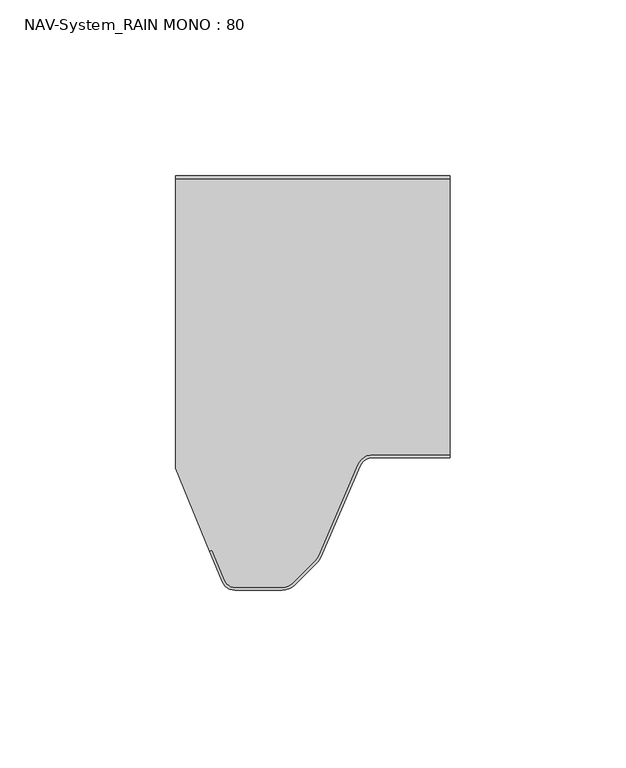
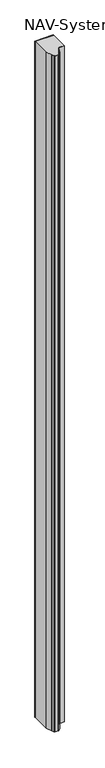
"""IFC4 building model written with IfcOpenShell, lengths in millimetres: plate geometry, NAV-System_RAIN MONO : 80."""

import ifcopenshell
import ifcopenshell.guid

model = None  # the IFC model being written
_history = None  # IfcOwnerHistory: only IFC2X3 demands one
_inside = {}  # id of a spatial element -> (the spatial element, [elements in it])
_under = {}  # id of a project, library or spatial element -> (it, [spatial elements below it])
_declared = {}  # id of a project -> (the project, [libraries it declares])
_typed = {}  # id of a type object -> (the type object, [elements of that type])
_made_of = {}  # id of a material, layer set ... -> (it, [elements and type objects made of it])


def new_model(schema):
    """Start an empty IFC model of exactly this schema.

    Asked for "IFC4X3", IfcOpenShell would pick the latest addendum, in which some entities
    have other attributes; the version numbers below select the first issue.
    IFC2X3 requires an IfcOwnerHistory on every rooted entity: one is made here for all.
    """
    global model, _history
    if schema == "IFC4X3":
        model = ifcopenshell.file(schema_version=(4, 3, 0, 0))
    else:
        model = ifcopenshell.file(schema=schema)
    _inside.clear()
    _under.clear()
    _declared.clear()
    _typed.clear()
    _made_of.clear()
    _history = None
    if model.schema == "IFC2X3":
        org = make("IfcOrganization", Name="unknown")
        user = make(
            "IfcPersonAndOrganization",
            ThePerson=make("IfcPerson", FamilyName="unknown"),
            TheOrganization=org,
        )
        app = make(
            "IfcApplication",
            ApplicationDeveloper=org,
            Version="unknown",
            ApplicationFullName="unknown",
            ApplicationIdentifier="unknown",
        )
        _history = make(
            "IfcOwnerHistory",
            OwningUser=user,
            OwningApplication=app,
            ChangeAction="ADDED",
            CreationDate=0,
        )
    return model


def make(cls, **values):
    """One entity of the class cls with the attributes given. An attribute that is None is left unset."""
    return model.create_entity(
        cls, **{name: value for name, value in values.items() if value is not None}
    )


def rooted(cls, **values):
    """An entity with a GlobalId (a new one), such as an element, a storey or a relation."""
    return make(cls, GlobalId=ifcopenshell.guid.new(), OwnerHistory=_history, **values)


def si_unit(unit_type, name, prefix=None):
    """IfcSIUnit, for example si_unit("LENGTHUNIT", "METRE", prefix="MILLI")."""
    return make("IfcSIUnit", UnitType=unit_type, Prefix=prefix, Name=name)


def assignment(units):
    """IfcUnitAssignment: the units of a project."""
    return None if units is None else make("IfcUnitAssignment", Units=units)


def point(xyz):
    """IfcCartesianPoint."""
    return None if xyz is None else make("IfcCartesianPoint", Coordinates=xyz)


def direction(xyz):
    """IfcDirection."""
    return None if xyz is None else make("IfcDirection", DirectionRatios=xyz)


def frame(location, z_axis=None, x_axis=None):
    """IfcAxis2Placement3D, a coordinate frame: its origin and axes. An axis left out is left unset."""
    return make(
        "IfcAxis2Placement3D",
        Location=point(location),
        Axis=direction(z_axis),
        RefDirection=direction(x_axis),
    )


def frame_2d(location, x_axis=None):
    """IfcAxis2Placement2D, a coordinate frame in the plane: its origin and x axis."""
    return make(
        "IfcAxis2Placement2D", Location=point(location), RefDirection=direction(x_axis)
    )


def origin():
    """The frame at (0, 0, 0) with its axes left unset."""
    return frame((0.0, 0.0, 0.0))


def origin_with_axes():
    """The frame at (0, 0, 0) with the z axis (0, 0, 1) and the x axis (1, 0, 0) written out."""
    return frame((0.0, 0.0, 0.0), z_axis=(0.0, 0.0, 1.0), x_axis=(1.0, 0.0, 0.0))


def place(relative_to, where):
    """IfcLocalPlacement: puts the frame where relative to a parent placement (None: the world)."""
    return make(
        "IfcLocalPlacement", PlacementRelTo=relative_to, RelativePlacement=where
    )


def context(
    kind, dimensions, precision=None, world=None, true_north=None, identifier=None
):
    """IfcGeometricRepresentationContext, for example the 3D "Model" context."""
    return make(
        "IfcGeometricRepresentationContext",
        ContextIdentifier=identifier,
        ContextType=kind,
        CoordinateSpaceDimension=dimensions,
        Precision=precision,
        WorldCoordinateSystem=world,
        TrueNorth=true_north,
    )


def project(units=None, contexts=None):
    """IfcProject with its units and contexts."""
    return rooted(
        "IfcProject",
        Name="project",
        RepresentationContexts=contexts,
        UnitsInContext=assignment(units),
    )


def spatial(cls, under=None, at=None, **own):
    """A site, building, storey or space (cls), placed at a placement, below another one or the project."""
    s = rooted(cls, ObjectPlacement=at, **own)
    if under is not None:
        _under.setdefault(under.id(), (under, []))[1].append(s)
    return s


def polyline(points):
    """IfcPolyline through the points."""
    return make("IfcPolyline", Points=[point(p) for p in points])


def circle_curve(where, radius):
    """IfcCircle in the frame where."""
    return make("IfcCircle", Position=where, Radius=radius)


def trimmed(basis, trim1, trim2, sense, master):
    """IfcTrimmedCurve: the piece of a basis curve between two trims."""
    return make(
        "IfcTrimmedCurve",
        BasisCurve=basis,
        Trim1=trim1,
        Trim2=trim2,
        SenseAgreement=sense,
        MasterRepresentation=master,
    )


def segment(curve, same_sense, transition):
    """IfcCompositeCurveSegment."""
    return make(
        "IfcCompositeCurveSegment",
        Transition=transition,
        SameSense=same_sense,
        ParentCurve=curve,
    )


def composite_curve(segments, self_intersect=None):
    """IfcCompositeCurve: segments joined end to end."""
    return make("IfcCompositeCurve", Segments=segments, SelfIntersect=self_intersect)


def outline(outer, holes=None, kind="AREA"):
    """IfcArbitraryClosedProfileDef: a profile drawn as a closed curve; with holes, ...WithVoids."""
    if holes is None:
        return make("IfcArbitraryClosedProfileDef", ProfileType=kind, OuterCurve=outer)
    return make(
        "IfcArbitraryProfileDefWithVoids",
        ProfileType=kind,
        OuterCurve=outer,
        InnerCurves=holes,
    )


def extrude(swept, where, along, depth):
    """IfcExtrudedAreaSolid: the profile swept, set in the frame where, extruded along a direction by depth."""
    return make(
        "IfcExtrudedAreaSolid",
        SweptArea=swept,
        Position=where,
        ExtrudedDirection=direction(along),
        Depth=depth,
    )


def shape(context_of_items, identifier, shape_type, items):
    """IfcShapeRepresentation: the items that make up one representation, for example the "Body"."""
    return make(
        "IfcShapeRepresentation",
        ContextOfItems=context_of_items,
        RepresentationIdentifier=identifier,
        RepresentationType=shape_type,
        Items=items,
    )


def source(mapping_origin, context_of_items, identifier, shape_type, items):
    """IfcRepresentationMap: a shape defined once, which mapped items show again and again."""
    return make(
        "IfcRepresentationMap",
        MappingOrigin=mapping_origin,
        MappedRepresentation=shape(context_of_items, identifier, shape_type, items),
    )


def transform(
    local_origin,
    x_axis=None,
    y_axis=None,
    z_axis=None,
    scale=None,
    scale2=None,
    scale3=None,
    uniform=True,
):
    """IfcCartesianTransformationOperator3D, or its non-uniform kind. x_axis, y_axis, z_axis: its Axis1, 2, 3."""
    if uniform:
        return make(
            "IfcCartesianTransformationOperator3D",
            Axis1=direction(x_axis),
            Axis2=direction(y_axis),
            LocalOrigin=point(local_origin),
            Scale=scale,
            Axis3=direction(z_axis),
        )
    return make(
        "IfcCartesianTransformationOperator3DnonUniform",
        Axis1=direction(x_axis),
        Axis2=direction(y_axis),
        LocalOrigin=point(local_origin),
        Scale=scale,
        Axis3=direction(z_axis),
        Scale2=scale2,
        Scale3=scale3,
    )


def mapped(mapping_source, mapping_target):
    """IfcMappedItem: shows the shape of a source again, moved by a transform."""
    return make(
        "IfcMappedItem", MappingSource=mapping_source, MappingTarget=mapping_target
    )


def made_of(thing, what):
    """Note that an element or type object is made of a material, layer set ...; save() writes the relation."""
    if what is not None:
        _made_of.setdefault(what.id(), (what, []))[1].append(thing)
    return thing


def element(
    cls,
    number,
    at=None,
    inside=None,
    cuts=None,
    type_object=None,
    material=None,
    context=None,
    identifier="Body",
    shape_type=None,
    held_by="IfcProductDefinitionShape",
    body=None,
    shapes=None,
    **own,
):
    """One element of the class cls, such as IfcWall. Its Tag is "e" and its number.

    at: its placement. inside: the storey or other place that contains it. cuts: it is an
    opening in that element (IfcRelVoidsElement). A single representation is given by context,
    identifier, shape_type and body (its items); several are given by shapes. held_by: the class
    of the entity that holds the representations. save() writes the other relations.
    """
    e = rooted(cls, Tag="e%d" % number, ObjectPlacement=at, **own)
    if body is not None:
        shapes = [shape(context, identifier, shape_type, body)]
    if shapes is not None:
        e.Representation = make(held_by, Representations=shapes)
    if inside is not None:
        _inside.setdefault(inside.id(), (inside, []))[1].append(e)
    if cuts is not None:
        rooted(
            "IfcRelVoidsElement", RelatingBuildingElement=cuts, RelatedOpeningElement=e
        )
    if type_object is not None:
        _typed.setdefault(type_object.id(), (type_object, []))[1].append(e)
    return made_of(e, material)


def aggregate(whole, parts):
    """IfcRelAggregates: a whole, such as a stair, and the parts it consists of."""
    return rooted("IfcRelAggregates", RelatingObject=whole, RelatedObjects=parts)


def save(model, path):
    """Write the relations noted so far, then the file.

    IfcRelAggregates (storeys below a building ...), IfcRelContainedInSpatialStructure (elements
    in a storey), IfcRelDefinesByType, IfcRelAssociatesMaterial and IfcRelDeclares: one each for
    every whole, place, type object, material and project.
    """
    for whole, parts in _under.values():
        aggregate(whole, parts)
    for where, things in _inside.values():
        rooted(
            "IfcRelContainedInSpatialStructure",
            RelatedElements=things,
            RelatingStructure=where,
        )
    for kind, things in _typed.values():
        rooted("IfcRelDefinesByType", RelatedObjects=things, RelatingType=kind)
    for what, things in _made_of.values():
        rooted("IfcRelAssociatesMaterial", RelatedObjects=things, RelatingMaterial=what)
    for by, libraries in _declared.values():
        rooted("IfcRelDeclares", RelatingContext=by, RelatedDefinitions=libraries)
    model.write(path)


def nav_system_rain_mono_80_6b18732c(model_context):
    return source(origin(), model_context, "Body", "SweptSolid", [
        extrude(outline(polyline([(-28.0, -0.8), (-28.0, 0.0), (50.0, 0.0), (50.0, -0.8), (-28.0, -0.8)])), origin_with_axes(), (0.0, 0.0, 1.0), 3000.0),
        extrude(outline(composite_curve([segment(trimmed(circle_curve(frame_2d((28.0709249, -84.0)), 4.8), [point((28.0709249, -79.2))], [point((23.6607271, -82.1052295))], True, "CARTESIAN"), True, "CONTINUOUS"), segment(polyline([(23.6607271, -82.1052295), (12.5754349, -107.9069459)]), True, "CONTINUOUS"), segment(trimmed(circle_curve(frame_2d((8.7165118, -106.2490217)), 4.2), [point((12.5754349, -107.9069459))], [point((11.6863603, -109.2188701))], False, "CARTESIAN"), True, "CONTINUOUS"), segment(polyline([(11.6863603, -109.2188701), (5.235382, -115.6698485)]), True, "CONTINUOUS"), segment(trimmed(circle_curve(frame_2d((2.2655335, -112.7)), 4.2), [point((5.235382, -115.6698485))], [point((2.2655335, -116.9))], False, "CARTESIAN"), True, "CONTINUOUS"), segment(polyline([(2.2655335, -116.9), (-11.1405186, -116.9)]), True, "CONTINUOUS"), segment(trimmed(circle_curve(frame_2d((-11.1405186, -113.7)), 3.2), [point((-11.1405186, -116.9))], [point((-14.1022482, -114.9116756))], False, "CARTESIAN"), True, "CONTINUOUS"), segment(polyline([(-14.1022482, -114.9116756), (-17.6292254, -106.2905951), (-18.3696578, -106.593514), (-28.0, -83.053822), (-28.0, -0.8), (50.0, -0.8), (50.0, -79.2), (28.0709249, -79.2)]), True, "CONTINUOUS")], self_intersect=False)), origin_with_axes(), (0.0, 0.0, 1.0), 3000.0),
        extrude(outline(composite_curve([segment(polyline([(-14.8430228, -115.2145945), (-18.37, -106.593514), (-17.6295676, -106.2905951), (-14.1025904, -114.9116756)]), True, "CONTINUOUS"), segment(trimmed(circle_curve(frame_2d((-11.1408608, -113.7)), 3.2), [point((-14.1025904, -114.9116756))], [point((-11.1408608, -116.9))], True, "CARTESIAN"), True, "CONTINUOUS"), segment(polyline([(-11.1408608, -116.9), (2.2651913, -116.9)]), True, "CONTINUOUS"), segment(trimmed(circle_curve(frame_2d((2.2651913, -112.7)), 4.2), [point((2.2651913, -116.9))], [point((5.2350397, -115.6698485))], True, "CARTESIAN"), True, "CONTINUOUS"), segment(polyline([(5.2350397, -115.6698485), (11.6860181, -109.2188701)]), True, "CONTINUOUS"), segment(trimmed(circle_curve(frame_2d((8.7161696, -106.2490217)), 4.2), [point((11.6860181, -109.2188701))], [point((12.5750927, -107.9069459))], True, "CARTESIAN"), True, "CONTINUOUS"), segment(polyline([(12.5750927, -107.9069459), (23.6603849, -82.1052295)]), True, "CONTINUOUS"), segment(trimmed(circle_curve(frame_2d((28.0705827, -84.0)), 4.8), [point((23.6603849, -82.1052295))], [point((28.0705827, -79.2))], False, "CARTESIAN"), True, "CONTINUOUS"), segment(polyline([(28.0705827, -79.2), (50.0, -79.2), (50.0, -80.0), (28.0705827, -80.0)]), True, "CONTINUOUS"), segment(trimmed(circle_curve(frame_2d((28.0705827, -84.0)), 4.0), [point((28.0705827, -80.0))], [point((24.3954178, -82.4210246))], True, "CARTESIAN"), True, "CONTINUOUS"), segment(polyline([(24.3954178, -82.4210246), (13.3101256, -108.2227409)]), True, "CONTINUOUS"), segment(trimmed(circle_curve(frame_2d((8.7161696, -106.2490217)), 5.0), [point((13.3101256, -108.2227409))], [point((12.2517035, -109.7845556))], False, "CARTESIAN"), True, "CONTINUOUS"), segment(polyline([(12.2517035, -109.7845556), (5.8007252, -116.2355339)]), True, "CONTINUOUS"), segment(trimmed(circle_curve(frame_2d((2.2651913, -112.7)), 5.0), [point((5.8007252, -116.2355339))], [point((2.2651913, -117.7))], False, "CARTESIAN"), True, "CONTINUOUS"), segment(polyline([(2.2651913, -117.7), (-11.1408608, -117.7)]), True, "CONTINUOUS"), segment(trimmed(circle_curve(frame_2d((-11.1408608, -113.7)), 4.0), [point((-11.1408608, -117.7))], [point((-14.8430228, -115.2145945))], False, "CARTESIAN"), True, "CONTINUOUS")], self_intersect=False)), origin_with_axes(), (0.0, 0.0, 1.0), 3000.0),
    ])


if __name__ == "__main__":
    model = new_model("IFC4")
    model_context = context("Model", 3, world=origin())
    ifc_project = project(units=[si_unit("LENGTHUNIT", "METRE", prefix="MILLI")], contexts=[model_context])
    site = spatial("IfcSite", under=ifc_project)
    building = spatial("IfcBuilding", under=site)
    placement = place(None, origin())
    nav_system_rain_mono_80_shape = nav_system_rain_mono_80_6b18732c(model_context)
    element("IfcPlate", 1, ObjectType="NAV-System_RAIN MONO : 80", at=placement, inside=building, context=model_context, shape_type="MappedRepresentation", body=[
        mapped(nav_system_rain_mono_80_shape, transform((0.0, 0.0, 0.0), x_axis=(1.0, 0.0, 0.0), y_axis=(0.0, 1.0, 0.0), z_axis=(0.0, 0.0, 1.0))),
    ])
    save(model, "model.ifc")
